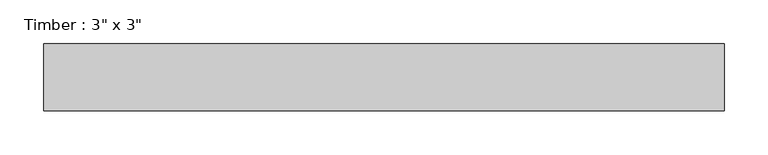
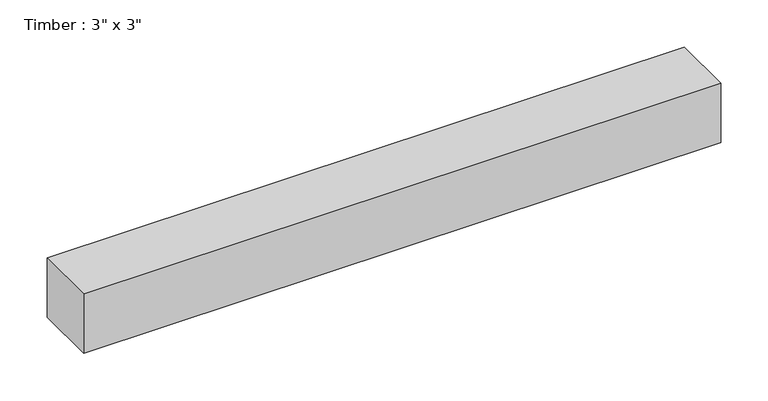
"""IFC4 building model written with IfcOpenShell, lengths in millimetres: beam geometry."""

import ifcopenshell
import ifcopenshell.guid

model = None  # the IFC model being written
_history = None  # IfcOwnerHistory: only IFC2X3 demands one
_inside = {}  # id of a spatial element -> (the spatial element, [elements in it])
_under = {}  # id of a project, library or spatial element -> (it, [spatial elements below it])
_declared = {}  # id of a project -> (the project, [libraries it declares])
_typed = {}  # id of a type object -> (the type object, [elements of that type])
_made_of = {}  # id of a material, layer set ... -> (it, [elements and type objects made of it])


def new_model(schema):
    """Start an empty IFC model of exactly this schema.

    Asked for "IFC4X3", IfcOpenShell would pick the latest addendum, in which some entities
    have other attributes; the version numbers below select the first issue.
    IFC2X3 requires an IfcOwnerHistory on every rooted entity: one is made here for all.
    """
    global model, _history
    if schema == "IFC4X3":
        model = ifcopenshell.file(schema_version=(4, 3, 0, 0))
    else:
        model = ifcopenshell.file(schema=schema)
    _inside.clear()
    _under.clear()
    _declared.clear()
    _typed.clear()
    _made_of.clear()
    _history = None
    if model.schema == "IFC2X3":
        org = make("IfcOrganization", Name="unknown")
        user = make(
            "IfcPersonAndOrganization",
            ThePerson=make("IfcPerson", FamilyName="unknown"),
            TheOrganization=org,
        )
        app = make(
            "IfcApplication",
            ApplicationDeveloper=org,
            Version="unknown",
            ApplicationFullName="unknown",
            ApplicationIdentifier="unknown",
        )
        _history = make(
            "IfcOwnerHistory",
            OwningUser=user,
            OwningApplication=app,
            ChangeAction="ADDED",
            CreationDate=0,
        )
    return model


def make(cls, **values):
    """One entity of the class cls with the attributes given. An attribute that is None is left unset."""
    return model.create_entity(
        cls, **{name: value for name, value in values.items() if value is not None}
    )


def rooted(cls, **values):
    """An entity with a GlobalId (a new one), such as an element, a storey or a relation."""
    return make(cls, GlobalId=ifcopenshell.guid.new(), OwnerHistory=_history, **values)


def si_unit(unit_type, name, prefix=None):
    """IfcSIUnit, for example si_unit("LENGTHUNIT", "METRE", prefix="MILLI")."""
    return make("IfcSIUnit", UnitType=unit_type, Prefix=prefix, Name=name)


def assignment(units):
    """IfcUnitAssignment: the units of a project."""
    return None if units is None else make("IfcUnitAssignment", Units=units)


def point(xyz):
    """IfcCartesianPoint."""
    return None if xyz is None else make("IfcCartesianPoint", Coordinates=xyz)


def direction(xyz):
    """IfcDirection."""
    return None if xyz is None else make("IfcDirection", DirectionRatios=xyz)


def frame(location, z_axis=None, x_axis=None):
    """IfcAxis2Placement3D, a coordinate frame: its origin and axes. An axis left out is left unset."""
    return make(
        "IfcAxis2Placement3D",
        Location=point(location),
        Axis=direction(z_axis),
        RefDirection=direction(x_axis),
    )


def origin():
    """The frame at (0, 0, 0) with its axes left unset."""
    return frame((0.0, 0.0, 0.0))


def place(relative_to, where):
    """IfcLocalPlacement: puts the frame where relative to a parent placement (None: the world)."""
    return make(
        "IfcLocalPlacement", PlacementRelTo=relative_to, RelativePlacement=where
    )


def context(
    kind, dimensions, precision=None, world=None, true_north=None, identifier=None
):
    """IfcGeometricRepresentationContext, for example the 3D "Model" context."""
    return make(
        "IfcGeometricRepresentationContext",
        ContextIdentifier=identifier,
        ContextType=kind,
        CoordinateSpaceDimension=dimensions,
        Precision=precision,
        WorldCoordinateSystem=world,
        TrueNorth=true_north,
    )


def project(units=None, contexts=None):
    """IfcProject with its units and contexts."""
    return rooted(
        "IfcProject",
        Name="project",
        RepresentationContexts=contexts,
        UnitsInContext=assignment(units),
    )


def spatial(cls, under=None, at=None, **own):
    """A site, building, storey or space (cls), placed at a placement, below another one or the project."""
    s = rooted(cls, ObjectPlacement=at, **own)
    if under is not None:
        _under.setdefault(under.id(), (under, []))[1].append(s)
    return s


def polyline(points):
    """IfcPolyline through the points."""
    return make("IfcPolyline", Points=[point(p) for p in points])


def outline(outer, holes=None, kind="AREA"):
    """IfcArbitraryClosedProfileDef: a profile drawn as a closed curve; with holes, ...WithVoids."""
    if holes is None:
        return make("IfcArbitraryClosedProfileDef", ProfileType=kind, OuterCurve=outer)
    return make(
        "IfcArbitraryProfileDefWithVoids",
        ProfileType=kind,
        OuterCurve=outer,
        InnerCurves=holes,
    )


def extrude(swept, where, along, depth):
    """IfcExtrudedAreaSolid: the profile swept, set in the frame where, extruded along a direction by depth."""
    return make(
        "IfcExtrudedAreaSolid",
        SweptArea=swept,
        Position=where,
        ExtrudedDirection=direction(along),
        Depth=depth,
    )


def shape(context_of_items, identifier, shape_type, items):
    """IfcShapeRepresentation: the items that make up one representation, for example the "Body"."""
    return make(
        "IfcShapeRepresentation",
        ContextOfItems=context_of_items,
        RepresentationIdentifier=identifier,
        RepresentationType=shape_type,
        Items=items,
    )


def source(mapping_origin, context_of_items, identifier, shape_type, items):
    """IfcRepresentationMap: a shape defined once, which mapped items show again and again."""
    return make(
        "IfcRepresentationMap",
        MappingOrigin=mapping_origin,
        MappedRepresentation=shape(context_of_items, identifier, shape_type, items),
    )


def transform(
    local_origin,
    x_axis=None,
    y_axis=None,
    z_axis=None,
    scale=None,
    scale2=None,
    scale3=None,
    uniform=True,
):
    """IfcCartesianTransformationOperator3D, or its non-uniform kind. x_axis, y_axis, z_axis: its Axis1, 2, 3."""
    if uniform:
        return make(
            "IfcCartesianTransformationOperator3D",
            Axis1=direction(x_axis),
            Axis2=direction(y_axis),
            LocalOrigin=point(local_origin),
            Scale=scale,
            Axis3=direction(z_axis),
        )
    return make(
        "IfcCartesianTransformationOperator3DnonUniform",
        Axis1=direction(x_axis),
        Axis2=direction(y_axis),
        LocalOrigin=point(local_origin),
        Scale=scale,
        Axis3=direction(z_axis),
        Scale2=scale2,
        Scale3=scale3,
    )


def mapped(mapping_source, mapping_target):
    """IfcMappedItem: shows the shape of a source again, moved by a transform."""
    return make(
        "IfcMappedItem", MappingSource=mapping_source, MappingTarget=mapping_target
    )


def made_of(thing, what):
    """Note that an element or type object is made of a material, layer set ...; save() writes the relation."""
    if what is not None:
        _made_of.setdefault(what.id(), (what, []))[1].append(thing)
    return thing


def element(
    cls,
    number,
    at=None,
    inside=None,
    cuts=None,
    type_object=None,
    material=None,
    context=None,
    identifier="Body",
    shape_type=None,
    held_by="IfcProductDefinitionShape",
    body=None,
    shapes=None,
    **own,
):
    """One element of the class cls, such as IfcWall. Its Tag is "e" and its number.

    at: its placement. inside: the storey or other place that contains it. cuts: it is an
    opening in that element (IfcRelVoidsElement). A single representation is given by context,
    identifier, shape_type and body (its items); several are given by shapes. held_by: the class
    of the entity that holds the representations. save() writes the other relations.
    """
    e = rooted(cls, Tag="e%d" % number, ObjectPlacement=at, **own)
    if body is not None:
        shapes = [shape(context, identifier, shape_type, body)]
    if shapes is not None:
        e.Representation = make(held_by, Representations=shapes)
    if inside is not None:
        _inside.setdefault(inside.id(), (inside, []))[1].append(e)
    if cuts is not None:
        rooted(
            "IfcRelVoidsElement", RelatingBuildingElement=cuts, RelatedOpeningElement=e
        )
    if type_object is not None:
        _typed.setdefault(type_object.id(), (type_object, []))[1].append(e)
    return made_of(e, material)


def aggregate(whole, parts):
    """IfcRelAggregates: a whole, such as a stair, and the parts it consists of."""
    return rooted("IfcRelAggregates", RelatingObject=whole, RelatedObjects=parts)


def save(model, path):
    """Write the relations noted so far, then the file.

    IfcRelAggregates (storeys below a building ...), IfcRelContainedInSpatialStructure (elements
    in a storey), IfcRelDefinesByType, IfcRelAssociatesMaterial and IfcRelDeclares: one each for
    every whole, place, type object, material and project.
    """
    for whole, parts in _under.values():
        aggregate(whole, parts)
    for where, things in _inside.values():
        rooted(
            "IfcRelContainedInSpatialStructure",
            RelatedElements=things,
            RelatingStructure=where,
        )
    for kind, things in _typed.values():
        rooted("IfcRelDefinesByType", RelatedObjects=things, RelatingType=kind)
    for what, things in _made_of.values():
        rooted("IfcRelAssociatesMaterial", RelatedObjects=things, RelatingMaterial=what)
    for by, libraries in _declared.values():
        rooted("IfcRelDeclares", RelatingContext=by, RelatedDefinitions=libraries)
    model.write(path)


def beam_6d0347ad(model_context):
    return source(origin(), model_context, "Body", "SweptSolid", [
        extrude(outline(polyline([(387.35, 38.1), (387.35, -38.1), (-387.35, -38.1), (-387.35, 38.1), (387.35, 38.1)])), frame((0.0, 0.0, -38.1), z_axis=(0.0, 0.0, 1.0), x_axis=(1.0, 0.0, 0.0)), (0.0, 0.0, 1.0), 76.2),
    ])


if __name__ == "__main__":
    model = new_model("IFC4")
    model_context = context("Model", 3, world=origin())
    ifc_project = project(units=[si_unit("LENGTHUNIT", "METRE", prefix="MILLI")], contexts=[model_context])
    site = spatial("IfcSite", under=ifc_project)
    building = spatial("IfcBuilding", under=site)
    placement = place(None, origin())
    beam_shape = beam_6d0347ad(model_context)
    element("IfcBeam", 1, ObjectType="Timber : 3\" x 3\"", at=placement, inside=building, context=model_context, shape_type="MappedRepresentation", body=[
        mapped(beam_shape, transform((0.0, 0.0, 0.0), x_axis=(1.0, 0.0, 0.0), y_axis=(0.0, 1.0, 0.0), z_axis=(0.0, 0.0, 1.0))),
    ])
    save(model, "model.ifc")
